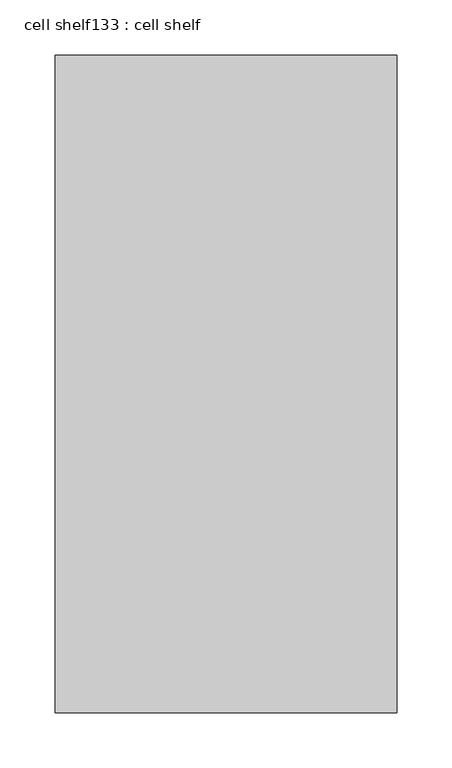
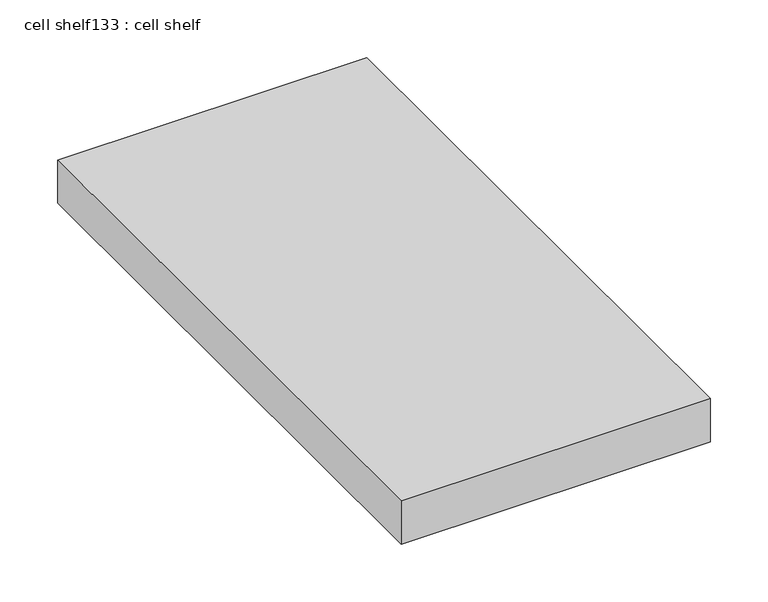
"""IFC4 building model written with IfcOpenShell, lengths in millimetres: proxy geometry, cell shelf133 : cell shelf."""

from ifc_helpers import new_model, si_unit, frame, origin, place, context, project, spatial, polyline, outline, extrude, source, transform, mapped, element, save


def cell_shelf133_cell_shelf_09c54c98(model_context):
    return source(origin(), model_context, "Body", "SweptSolid", [
        extrude(outline(polyline([(-117402.3013107, 884.4739905), (-117402.3013107, 1479.5603861), (-117092.9535142, 1479.5603861), (-117092.9535142, 884.4739905), (-117402.3013107, 884.4739905)])), frame((0.0, 0.0, 1320.0941517), z_axis=(0.0, 0.0, 1.0), x_axis=(1.0, 0.0, 0.0)), (0.0, 0.0, 1.0), 45.8133004),
    ])


if __name__ == "__main__":
    model = new_model("IFC4")
    model_context = context("Model", 3, world=origin())
    ifc_project = project(units=[si_unit("LENGTHUNIT", "METRE", prefix="MILLI")], contexts=[model_context])
    site = spatial("IfcSite", under=ifc_project)
    building = spatial("IfcBuilding", under=site)
    placement = place(None, origin())
    cell_shelf133_cell_shelf_shape = cell_shelf133_cell_shelf_09c54c98(model_context)
    element("IfcBuildingElementProxy", 1, Name="cell shelf133 : cell shelf", ObjectType="cell shelf133 : cell shelf", at=placement, inside=building, context=model_context, shape_type="MappedRepresentation", body=[
        mapped(cell_shelf133_cell_shelf_shape, transform((0.0, 0.0, 0.0), x_axis=(1.0, 0.0, 0.0), y_axis=(0.0, 1.0, 0.0), z_axis=(0.0, 0.0, 1.0))),
    ])
    save(model, "model.ifc")
